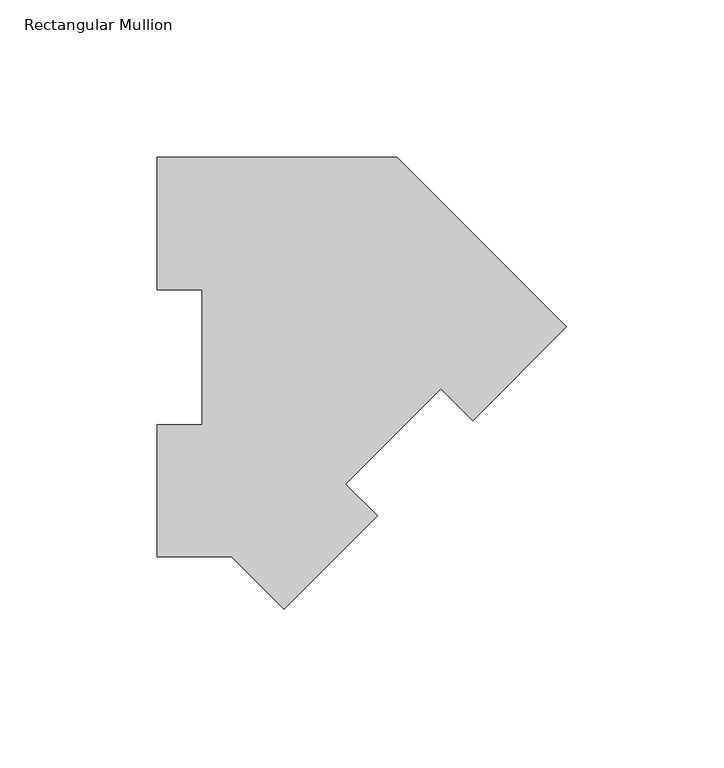
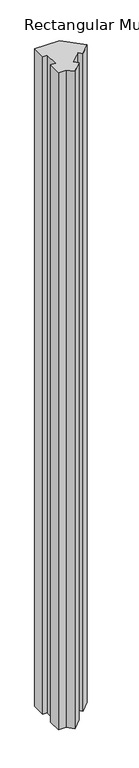
"""IFC4 building model written with IfcOpenShell, lengths in millimetres: member geometry, Rectangular Mullion."""

from ifc_helpers import new_model, si_unit, frame, origin, place, context, project, spatial, polyline, outline, extrude, source, transform, mapped, element, save


def rectangular_mullion_a45ef653(model_context):
    return source(origin(), model_context, "Body", "SweptSolid", [
        extrude(outline(polyline([(-130.0815367, 126.7086937), (-53.8815367, 126.7086937), (0.0, 72.827157), (-29.7515885, 43.0755685), (-39.8543767, 53.1783566), (-70.1537608, 22.8789725), (-60.0509727, 12.7761843), (-89.8025612, -16.9754042), (-106.4866591, -0.2913063), (-130.0815367, -0.2913063), (-130.0815367, 41.7837938), (-115.7940367, 41.7837938), (-115.7940367, 84.6335937), (-130.0815367, 84.6335937), (-130.0815367, 126.7086937)])), frame((0.0, 0.0, -2133.6), z_axis=(0.0, 0.0, 1.0), x_axis=(1.0, 0.0, 0.0)), (0.0, 0.0, 1.0), 2133.6),
    ])


if __name__ == "__main__":
    model = new_model("IFC4")
    model_context = context("Model", 3, world=origin())
    ifc_project = project(units=[si_unit("LENGTHUNIT", "METRE", prefix="MILLI")], contexts=[model_context])
    site = spatial("IfcSite", under=ifc_project)
    building = spatial("IfcBuilding", under=site)
    placement = place(None, origin())
    rectangular_mullion_shape = rectangular_mullion_a45ef653(model_context)
    element("IfcMember", 1, ObjectType="Rectangular Mullion", at=placement, inside=building, context=model_context, shape_type="MappedRepresentation", body=[
        mapped(rectangular_mullion_shape, transform((0.0, 0.0, 0.0), x_axis=(1.0, 0.0, 0.0), y_axis=(0.0, 1.0, 0.0), z_axis=(0.0, 0.0, 1.0))),
    ])
    save(model, "model.ifc")
